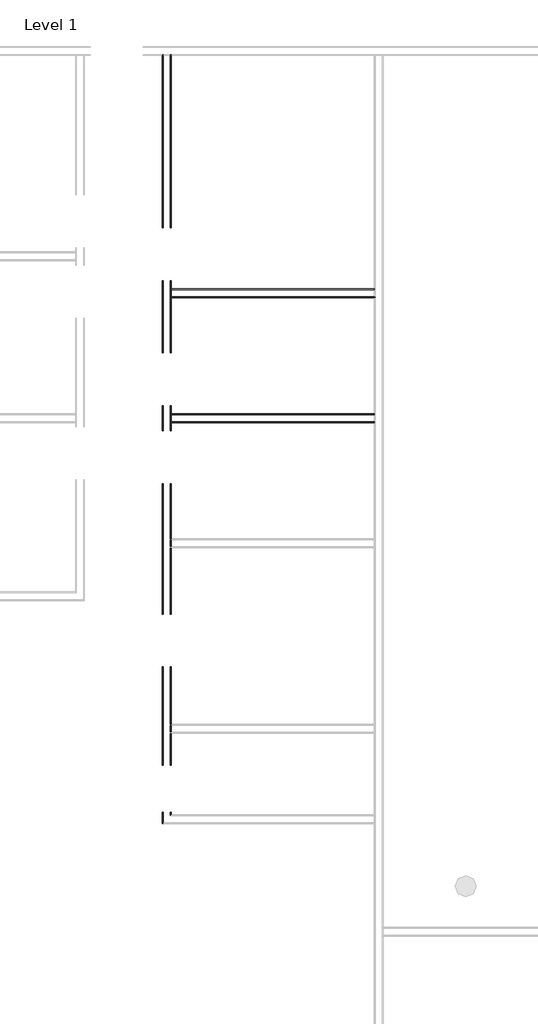
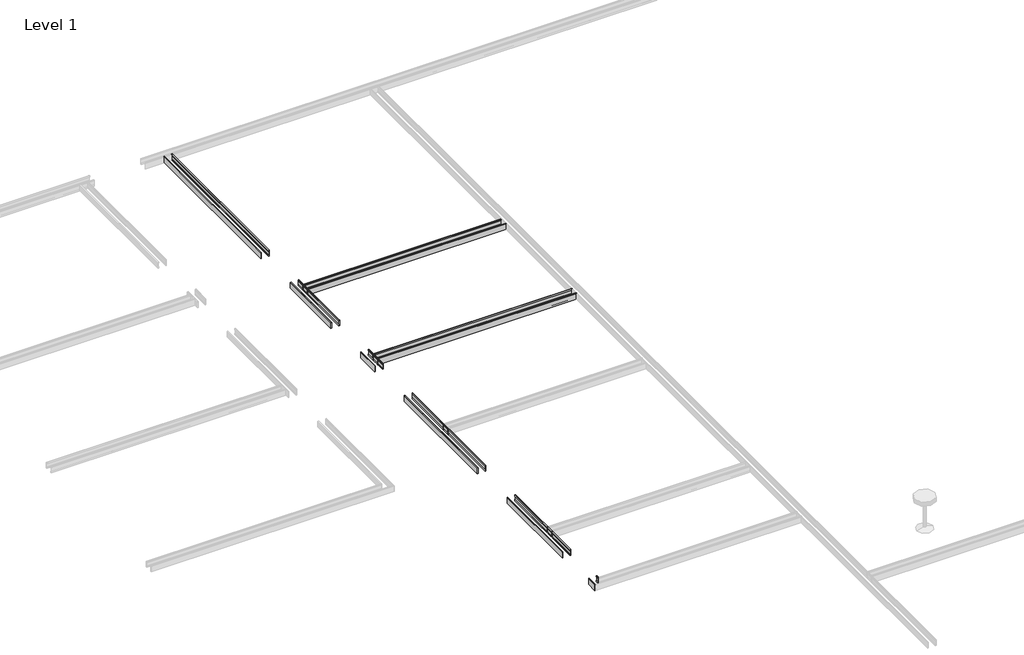
# One storey, part 41 of 51: 6 proxies.
"""IFC4 building model written with IfcOpenShell, lengths in millimetres."""

from ifc_helpers import new_model, si_unit, point, frame, frame_2d, origin, place, context, project, spatial, polyline, circle_curve, ellipse_curve, trimmed, segment, composite_curve, outline, extrude, element, save
from ifc_brep_helpers import plane_surface, cylinder_surface, advanced_brep

model = new_model("IFC4")

# Units and contexts
model_context = context("Model", 3, world=origin())
ifc_project = project(units=[si_unit("LENGTHUNIT", "METRE", prefix="MILLI")], contexts=[model_context])

# Site, building, storey
site = spatial("IfcSite", under=ifc_project)
building = spatial("IfcBuilding", under=site)
storey = spatial("IfcBuildingStorey", under=building, Name="Level 1", Elevation=0.0)

# Proxies
placement = place(None, origin())
element("IfcBuildingElementProxy", 1, Name="Wall Sweeps", at=placement, inside=storey, context=model_context, shape_type="AdvancedBrep", body=[
    advanced_brep(
    [(73117.553484, -21404.8801669, 22.1801656), (73114.1637805, -21404.8801669, 23.915644), (73114.1637805, -21404.8801669, 85.828144), (73117.553484, -21404.8801669, 87.5505545), (73117.553484, -21404.8801669, 107.95), (73106.440984, -21404.8801669, 107.95), (73103.265984, -21404.8801669, 104.775), (73103.265984, -21404.8801669, 0.0), (73117.553484, -21404.8801669, 0.0), (73117.553484, -19711.0176669, 22.1801656), (73117.553484, -19711.0176669, 0.0), (73103.265984, -19711.0176669, 0.0), (73103.265984, -19711.0176669, 104.775), (73106.440984, -19711.0176669, 107.95), (73117.553484, -19711.0176669, 107.95), (73117.553484, -19711.0176669, 87.5505545), (73114.1637805, -19711.0176669, 85.828144), (73114.1637805, -19711.0176669, 23.915644)],
    [
        (0, 1),
        (1, 2),
        (2, 3),
        (3, 4),
        (4, 5),
        (5, 6, circle_curve(frame((73106.440984, -21404.8801669, 104.775), z_axis=(0.0, -1.0, 0.0), x_axis=(-1.0, 0.0, 0.0)), 3.175)),
        (6, 7),
        (7, 8),
        (8, 0),
        (9, 10),
        (10, 11),
        (11, 12),
        (12, 13, circle_curve(frame((73106.440984, -19711.0176669, 104.775), z_axis=(0.0, 1.0, 0.0), x_axis=(-1.0, 0.0, 0.0)), 3.175)),
        (13, 14),
        (14, 15),
        (15, 16),
        (16, 17),
        (17, 9),
        (0, 9),
        (17, 1),
        (16, 2),
        (15, 3),
        (14, 4),
        (13, 5),
        (12, 6),
        (11, 7),
        (10, 8),
    ],
    [
        plane_surface(frame((73009.0330244, -21404.8801669, 0.0), z_axis=(0.0, -1.0, 0.0), x_axis=(0.0, 0.0, 1.0))),
        plane_surface(frame((73009.0330244, -19711.0176669, 0.0), z_axis=(0.0, 1.0, 0.0), x_axis=(0.0, 0.0, 1.0))),
        plane_surface(frame((73117.553484, -21404.8801669, 22.1801656), z_axis=(0.4557279043188856, 0.0, 0.8901191365346083), x_axis=(0.0, 1.0, 0.0))),
        plane_surface(frame((73114.1637805, -21404.8801669, 23.915644), z_axis=(1.0, 0.0, 0.0), x_axis=(0.0, 1.0, 0.0))),
        plane_surface(frame((73114.1637805, -21404.8801669, 85.828144), z_axis=(0.4530026868357818, 0.0, -0.8915091506650745), x_axis=(0.0, 1.0, 0.0))),
        plane_surface(frame((73117.553484, -21404.8801669, 87.5505545), z_axis=(1.0, 0.0, 0.0), x_axis=(0.0, 1.0, 0.0))),
        plane_surface(frame((73117.553484, -21404.8801669, 107.95), z_axis=(0.0, 0.0, 1.0), x_axis=(0.0, 1.0, 0.0))),
        cylinder_surface(frame((73106.440984, -21404.8801669, 104.775), z_axis=(0.0, -1.0, 0.0), x_axis=(-1.0, 0.0, 0.0)), 3.175),
        plane_surface(frame((73103.265984, -21404.8801669, 104.775), z_axis=(-1.0, 0.0, 0.0), x_axis=(0.0, 1.0, 0.0))),
        plane_surface(frame((73103.265984, -21404.8801669, 0.0), z_axis=(0.0, 0.0, -1.0), x_axis=(0.0, 1.0, 0.0))),
        plane_surface(frame((73117.553484, -21404.8801669, 0.0), z_axis=(1.0, 0.0, 0.0), x_axis=(0.0, 1.0, 0.0))),
    ],
    [
        (0, [[1, 2, 3, 4, 5, 6, 7, 8, 9]]),
        (1, [[10, 11, 12, 13, 14, 15, 16, 17, 18]]),
        (2, [[-1, 19, -18, 20]]),
        (3, [[-2, -20, -17, 21]]),
        (4, [[-3, -21, -16, 22]]),
        (5, [[-4, -22, -15, 23]]),
        (6, [[-5, -23, -14, 24]]),
        (7, [[-6, -24, -13, 25]]),
        (8, [[-7, -25, -12, 26]]),
        (9, [[-8, -26, -11, 27]]),
        (10, [[-9, -27, -10, -19]]),
    ],
),
    advanced_brep(
    [(73117.553484, -18796.6176669, 22.1801656), (73114.1637805, -18796.6176669, 23.915644), (73114.1637805, -18796.6176669, 85.828144), (73117.553484, -18796.6176669, 87.5505545), (73117.553484, -18796.6176669, 107.95), (73106.440984, -18796.6176669, 107.95), (73103.265984, -18796.6176669, 104.775), (73103.265984, -18796.6176669, 0.0), (73117.553484, -18796.6176669, 0.0), (73117.553484, -16547.1301669, 22.1801656), (73117.553484, -16547.1301669, 0.0), (73103.265984, -16547.1301669, 0.0), (73103.265984, -16547.1301669, 104.775), (73106.440984, -16547.1301669, 107.95), (73117.553484, -16547.1301669, 107.95), (73117.553484, -16547.1301669, 87.5505545), (73114.1637805, -16547.1301669, 85.828144), (73114.1637805, -16547.1301669, 23.915644)],
    [
        (0, 1),
        (1, 2),
        (2, 3),
        (3, 4),
        (4, 5),
        (5, 6, circle_curve(frame((73106.440984, -18796.6176669, 104.775), z_axis=(0.0, -1.0, 0.0), x_axis=(-1.0, 0.0, 0.0)), 3.175)),
        (6, 7),
        (7, 8),
        (8, 0),
        (9, 10),
        (10, 11),
        (11, 12),
        (12, 13, circle_curve(frame((73106.440984, -16547.1301669, 104.775), z_axis=(0.0, 1.0, 0.0), x_axis=(-1.0, 0.0, 0.0)), 3.175)),
        (13, 14),
        (14, 15),
        (15, 16),
        (16, 17),
        (17, 9),
        (0, 9),
        (17, 1),
        (16, 2),
        (15, 3),
        (14, 4),
        (13, 5),
        (12, 6),
        (11, 7),
        (10, 8),
    ],
    [
        plane_surface(frame((73009.0330244, -18796.6176669, 0.0), z_axis=(0.0, -1.0, 0.0), x_axis=(0.0, 0.0, 1.0))),
        plane_surface(frame((73009.0330244, -16547.1301669, 0.0), z_axis=(0.0, 1.0, 0.0), x_axis=(0.0, 0.0, 1.0))),
        plane_surface(frame((73117.553484, -18796.6176669, 22.1801656), z_axis=(0.4557279043188856, 0.0, 0.8901191365346083), x_axis=(0.0, 1.0, 0.0))),
        plane_surface(frame((73114.1637805, -18796.6176669, 23.915644), z_axis=(1.0, 0.0, 0.0), x_axis=(0.0, 1.0, 0.0))),
        plane_surface(frame((73114.1637805, -18796.6176669, 85.828144), z_axis=(0.4530026868357818, 0.0, -0.8915091506650745), x_axis=(0.0, 1.0, 0.0))),
        plane_surface(frame((73117.553484, -18796.6176669, 87.5505545), z_axis=(1.0, 0.0, 0.0), x_axis=(0.0, 1.0, 0.0))),
        plane_surface(frame((73117.553484, -18796.6176669, 107.95), z_axis=(0.0, 0.0, 1.0), x_axis=(0.0, 1.0, 0.0))),
        cylinder_surface(frame((73106.440984, -18796.6176669, 104.775), z_axis=(0.0, -1.0, 0.0), x_axis=(-1.0, 0.0, 0.0)), 3.175),
        plane_surface(frame((73103.265984, -18796.6176669, 104.775), z_axis=(-1.0, 0.0, 0.0), x_axis=(0.0, 1.0, 0.0))),
        plane_surface(frame((73103.265984, -18796.6176669, 0.0), z_axis=(0.0, 0.0, -1.0), x_axis=(0.0, 1.0, 0.0))),
        plane_surface(frame((73117.553484, -18796.6176669, 0.0), z_axis=(1.0, 0.0, 0.0), x_axis=(0.0, 1.0, 0.0))),
    ],
    [
        (0, [[1, 2, 3, 4, 5, 6, 7, 8, 9]]),
        (1, [[10, 11, 12, 13, 14, 15, 16, 17, 18]]),
        (2, [[-1, 19, -18, 20]]),
        (3, [[-2, -20, -17, 21]]),
        (4, [[-3, -21, -16, 22]]),
        (5, [[-4, -22, -15, 23]]),
        (6, [[-5, -23, -14, 24]]),
        (7, [[-6, -24, -13, 25]]),
        (8, [[-7, -25, -12, 26]]),
        (9, [[-8, -26, -11, 27]]),
        (10, [[-9, -27, -10, -19]]),
    ],
),
    advanced_brep(
    [(73117.553484, -15632.7301669, 22.1801656), (73114.1637805, -15632.7301669, 23.915644), (73114.1637805, -15632.7301669, 85.828144), (73117.553484, -15632.7301669, 87.5505545), (73117.553484, -15632.7301669, 107.95), (73106.440984, -15632.7301669, 107.95), (73103.265984, -15632.7301669, 104.775), (73103.265984, -15632.7301669, 0.0), (73117.553484, -15632.7301669, 0.0), (73117.553484, -15204.1051669, 22.1801656), (73117.553484, -15204.1051669, 0.0), (73103.265984, -15204.1051669, 0.0), (73103.265984, -15204.1051669, 104.775), (73106.440984, -15204.1051669, 107.95), (73117.553484, -15204.1051669, 107.95), (73117.553484, -15204.1051669, 87.5505545), (73114.1637805, -15204.1051669, 85.828144), (73114.1637805, -15204.1051669, 23.915644)],
    [
        (0, 1),
        (1, 2),
        (2, 3),
        (3, 4),
        (4, 5),
        (5, 6, circle_curve(frame((73106.440984, -15632.7301669, 104.775), z_axis=(0.0, -1.0, 0.0), x_axis=(-1.0, 0.0, 0.0)), 3.175)),
        (6, 7),
        (7, 8),
        (8, 0),
        (9, 10),
        (10, 11),
        (11, 12),
        (12, 13, circle_curve(frame((73106.440984, -15204.1051669, 104.775), z_axis=(0.0, 1.0, 0.0), x_axis=(-1.0, 0.0, 0.0)), 3.175)),
        (13, 14),
        (14, 15),
        (15, 16),
        (16, 17),
        (17, 9),
        (0, 9),
        (17, 1),
        (16, 2),
        (15, 3),
        (14, 4),
        (13, 5),
        (12, 6),
        (11, 7),
        (10, 8),
    ],
    [
        plane_surface(frame((73009.0330244, -15632.7301669, 0.0), z_axis=(0.0, -1.0, 0.0), x_axis=(0.0, 0.0, 1.0))),
        plane_surface(frame((73009.0330244, -15204.1051669, 0.0), z_axis=(0.0, 1.0, 0.0), x_axis=(0.0, 0.0, 1.0))),
        plane_surface(frame((73117.553484, -15632.7301669, 22.1801656), z_axis=(0.4557279043188856, 0.0, 0.8901191365346083), x_axis=(0.0, 1.0, 0.0))),
        plane_surface(frame((73114.1637805, -15632.7301669, 23.915644), z_axis=(1.0, 0.0, 0.0), x_axis=(0.0, 1.0, 0.0))),
        plane_surface(frame((73114.1637805, -15632.7301669, 85.828144), z_axis=(0.4530026868357818, 0.0, -0.8915091506650745), x_axis=(0.0, 1.0, 0.0))),
        plane_surface(frame((73117.553484, -15632.7301669, 87.5505545), z_axis=(1.0, 0.0, 0.0), x_axis=(0.0, 1.0, 0.0))),
        plane_surface(frame((73117.553484, -15632.7301669, 107.95), z_axis=(0.0, 0.0, 1.0), x_axis=(0.0, 1.0, 0.0))),
        cylinder_surface(frame((73106.440984, -15632.7301669, 104.775), z_axis=(0.0, -1.0, 0.0), x_axis=(-1.0, 0.0, 0.0)), 3.175),
        plane_surface(frame((73103.265984, -15632.7301669, 104.775), z_axis=(-1.0, 0.0, 0.0), x_axis=(0.0, 1.0, 0.0))),
        plane_surface(frame((73103.265984, -15632.7301669, 0.0), z_axis=(0.0, 0.0, -1.0), x_axis=(0.0, 1.0, 0.0))),
        plane_surface(frame((73117.553484, -15632.7301669, 0.0), z_axis=(1.0, 0.0, 0.0), x_axis=(0.0, 1.0, 0.0))),
    ],
    [
        (0, [[1, 2, 3, 4, 5, 6, 7, 8, 9]]),
        (1, [[10, 11, 12, 13, 14, 15, 16, 17, 18]]),
        (2, [[-1, 19, -18, 20]]),
        (3, [[-2, -20, -17, 21]]),
        (4, [[-3, -21, -16, 22]]),
        (5, [[-4, -22, -15, 23]]),
        (6, [[-5, -23, -14, 24]]),
        (7, [[-6, -24, -13, 25]]),
        (8, [[-7, -25, -12, 26]]),
        (9, [[-8, -26, -11, 27]]),
        (10, [[-9, -27, -10, -19]]),
    ],
),
    advanced_brep(
    [(73117.553484, -14289.7051669, 22.1801656), (73114.1637805, -14289.7051669, 23.915644), (73114.1637805, -14289.7051669, 85.828144), (73117.553484, -14289.7051669, 87.5505545), (73117.553484, -14289.7051669, 107.95), (73106.440984, -14289.7051669, 107.95), (73103.265984, -14289.7051669, 104.775), (73103.265984, -14289.7051669, 0.0), (73117.553484, -14289.7051669, 0.0), (73117.553484, -13041.9301669, 22.1801656), (73117.553484, -13041.9301669, 0.0), (73103.265984, -13041.9301669, 0.0), (73103.265984, -13041.9301669, 104.775), (73106.440984, -13041.9301669, 107.95), (73117.553484, -13041.9301669, 107.95), (73117.553484, -13041.9301669, 87.5505545), (73114.1637805, -13041.9301669, 85.828144), (73114.1637805, -13041.9301669, 23.915644)],
    [
        (0, 1),
        (1, 2),
        (2, 3),
        (3, 4),
        (4, 5),
        (5, 6, circle_curve(frame((73106.440984, -14289.7051669, 104.775), z_axis=(0.0, -1.0, 0.0), x_axis=(-1.0, 0.0, 0.0)), 3.175)),
        (6, 7),
        (7, 8),
        (8, 0),
        (9, 10),
        (10, 11),
        (11, 12),
        (12, 13, circle_curve(frame((73106.440984, -13041.9301669, 104.775), z_axis=(0.0, 1.0, 0.0), x_axis=(-1.0, 0.0, 0.0)), 3.175)),
        (13, 14),
        (14, 15),
        (15, 16),
        (16, 17),
        (17, 9),
        (0, 9),
        (17, 1),
        (16, 2),
        (15, 3),
        (14, 4),
        (13, 5),
        (12, 6),
        (11, 7),
        (10, 8),
    ],
    [
        plane_surface(frame((73009.0330244, -14289.7051669, 0.0), z_axis=(0.0, -1.0, 0.0), x_axis=(0.0, 0.0, 1.0))),
        plane_surface(frame((73009.0330244, -13041.9301669, 0.0), z_axis=(0.0, 1.0, 0.0), x_axis=(0.0, 0.0, 1.0))),
        plane_surface(frame((73117.553484, -14289.7051669, 22.1801656), z_axis=(0.4557279043188856, 0.0, 0.8901191365346083), x_axis=(0.0, 1.0, 0.0))),
        plane_surface(frame((73114.1637805, -14289.7051669, 23.915644), z_axis=(1.0, 0.0, 0.0), x_axis=(0.0, 1.0, 0.0))),
        plane_surface(frame((73114.1637805, -14289.7051669, 85.828144), z_axis=(0.4530026868357818, 0.0, -0.8915091506650745), x_axis=(0.0, 1.0, 0.0))),
        plane_surface(frame((73117.553484, -14289.7051669, 87.5505545), z_axis=(1.0, 0.0, 0.0), x_axis=(0.0, 1.0, 0.0))),
        plane_surface(frame((73117.553484, -14289.7051669, 107.95), z_axis=(0.0, 0.0, 1.0), x_axis=(0.0, 1.0, 0.0))),
        cylinder_surface(frame((73106.440984, -14289.7051669, 104.775), z_axis=(0.0, -1.0, 0.0), x_axis=(-1.0, 0.0, 0.0)), 3.175),
        plane_surface(frame((73103.265984, -14289.7051669, 104.775), z_axis=(-1.0, 0.0, 0.0), x_axis=(0.0, 1.0, 0.0))),
        plane_surface(frame((73103.265984, -14289.7051669, 0.0), z_axis=(0.0, 0.0, -1.0), x_axis=(0.0, 1.0, 0.0))),
        plane_surface(frame((73117.553484, -14289.7051669, 0.0), z_axis=(1.0, 0.0, 0.0), x_axis=(0.0, 1.0, 0.0))),
    ],
    [
        (0, [[1, 2, 3, 4, 5, 6, 7, 8, 9]]),
        (1, [[10, 11, 12, 13, 14, 15, 16, 17, 18]]),
        (2, [[-1, 19, -18, 20]]),
        (3, [[-2, -20, -17, 21]]),
        (4, [[-3, -21, -16, 22]]),
        (5, [[-4, -22, -15, 23]]),
        (6, [[-5, -23, -14, 24]]),
        (7, [[-6, -24, -13, 25]]),
        (8, [[-7, -25, -12, 26]]),
        (9, [[-8, -26, -11, 27]]),
        (10, [[-9, -27, -10, -19]]),
    ],
),
    advanced_brep(
    [(73117.553484, -12127.5301669, 22.1801656), (73114.1637805, -12127.5301669, 23.915644), (73114.1637805, -12127.5301669, 85.828144), (73117.553484, -12127.5301669, 87.5505545), (73117.553484, -12127.5301669, 107.95), (73106.440984, -12127.5301669, 107.95), (73103.265984, -12127.5301669, 104.775), (73103.265984, -12127.5301669, 0.0), (73117.553484, -12127.5301669, 0.0), (73117.553484, -9141.4426669, 22.1801656), (73117.553484, -9141.4426669, 0.0), (73103.265984, -9141.4426669, 0.0), (73103.265984, -9141.4426669, 104.775), (73106.440984, -9141.4426669, 107.95), (73117.553484, -9141.4426669, 107.95), (73117.553484, -9141.4426669, 87.5505545), (73114.1637805, -9141.4426669, 85.828144), (73114.1637805, -9141.4426669, 23.915644)],
    [
        (0, 1),
        (1, 2),
        (2, 3),
        (3, 4),
        (4, 5),
        (5, 6, circle_curve(frame((73106.440984, -12127.5301669, 104.775), z_axis=(0.0, -1.0, 0.0), x_axis=(-1.0, 0.0, 0.0)), 3.175)),
        (6, 7),
        (7, 8),
        (8, 0),
        (9, 10),
        (10, 11),
        (11, 12),
        (12, 13, circle_curve(frame((73106.440984, -9141.4426669, 104.775), z_axis=(0.0, 1.0, 0.0), x_axis=(-1.0, 0.0, 0.0)), 3.175)),
        (13, 14),
        (14, 15),
        (15, 16),
        (16, 17),
        (17, 9),
        (0, 9),
        (17, 1),
        (16, 2),
        (15, 3),
        (14, 4),
        (13, 5),
        (12, 6),
        (11, 7),
        (10, 8),
    ],
    [
        plane_surface(frame((73009.0330244, -12127.5301669, 0.0), z_axis=(0.0, -1.0, 0.0), x_axis=(0.0, 0.0, 1.0))),
        plane_surface(frame((73009.0330244, -9141.4426669, 0.0), z_axis=(0.0, 1.0, 0.0), x_axis=(0.0, 0.0, 1.0))),
        plane_surface(frame((73117.553484, -12127.5301669, 22.1801656), z_axis=(0.4557279043188856, 0.0, 0.8901191365346083), x_axis=(0.0, 1.0, 0.0))),
        plane_surface(frame((73114.1637805, -12127.5301669, 23.915644), z_axis=(1.0, 0.0, 0.0), x_axis=(0.0, 1.0, 0.0))),
        plane_surface(frame((73114.1637805, -12127.5301669, 85.828144), z_axis=(0.4530026868357818, 0.0, -0.8915091506650745), x_axis=(0.0, 1.0, 0.0))),
        plane_surface(frame((73117.553484, -12127.5301669, 87.5505545), z_axis=(1.0, 0.0, 0.0), x_axis=(0.0, 1.0, 0.0))),
        plane_surface(frame((73117.553484, -12127.5301669, 107.95), z_axis=(0.0, 0.0, 1.0), x_axis=(0.0, 1.0, 0.0))),
        cylinder_surface(frame((73106.440984, -12127.5301669, 104.775), z_axis=(0.0, -1.0, 0.0), x_axis=(-1.0, 0.0, 0.0)), 3.175),
        plane_surface(frame((73103.265984, -12127.5301669, 104.775), z_axis=(-1.0, 0.0, 0.0), x_axis=(0.0, 1.0, 0.0))),
        plane_surface(frame((73103.265984, -12127.5301669, 0.0), z_axis=(0.0, 0.0, -1.0), x_axis=(0.0, 1.0, 0.0))),
        plane_surface(frame((73117.553484, -12127.5301669, 0.0), z_axis=(1.0, 0.0, 0.0), x_axis=(0.0, 1.0, 0.0))),
    ],
    [
        (0, [[1, 2, 3, 4, 5, 6, 7, 8, 9]]),
        (1, [[10, 11, 12, 13, 14, 15, 16, 17, 18]]),
        (2, [[-1, 19, -18, 20]]),
        (3, [[-2, -20, -17, 21]]),
        (4, [[-3, -21, -16, 22]]),
        (5, [[-4, -22, -15, 23]]),
        (6, [[-5, -23, -14, 24]]),
        (7, [[-6, -24, -13, 25]]),
        (8, [[-7, -25, -12, 26]]),
        (9, [[-8, -26, -11, 27]]),
        (10, [[-9, -27, -10, -19]]),
    ],
),
    advanced_brep(
    [(73117.553484, -22400.2426669, 22.1801656), (73114.1637805, -22403.6323704, 23.915644), (73114.1637805, -22403.6323704, 85.828144), (73117.553484, -22400.2426669, 87.5505545), (73117.553484, -22400.2426669, 107.95), (73106.440984, -22411.3551669, 107.95), (73103.265984, -22414.5301669, 104.775), (73103.265984, -22414.5301669, 0.0), (73117.553484, -22400.2426669, 0.0), (73117.553484, -22217.6801669, 22.1801656), (73117.553484, -22217.6801669, 0.0), (73103.265984, -22217.6801669, 0.0), (73103.265984, -22217.6801669, 104.775), (73106.440984, -22217.6801669, 107.95), (73117.553484, -22217.6801669, 107.95), (73117.553484, -22217.6801669, 87.5505545), (73114.1637805, -22217.6801669, 85.828144), (73114.1637805, -22217.6801669, 23.915644), (73117.553484, -22276.4176669, 0.0)],
    [
        (0, 1),
        (1, 2),
        (2, 3),
        (3, 4),
        (4, 5),
        (5, 6, ellipse_curve(frame((73106.440984, -22411.3551669, 104.775), z_axis=(0.7071067811865476, -0.7071067811865476, 0.0), x_axis=(-0.7071067811865477, -0.7071067811865474, 0.0)), 4.4901281, 3.175)),
        (6, 7),
        (7, 8),
        (8, 0),
        (9, 10),
        (10, 11),
        (11, 12),
        (12, 13, circle_curve(frame((73106.440984, -22217.6801669, 104.775), z_axis=(0.0, 1.0, 0.0), x_axis=(-1.0, 0.0, 0.0)), 3.175)),
        (13, 14),
        (14, 15),
        (15, 16),
        (16, 17),
        (17, 9),
        (0, 9),
        (17, 1),
        (16, 2),
        (15, 3),
        (14, 4),
        (13, 5),
        (12, 6),
        (11, 7),
        (10, 18),
        (18, 8),
    ],
    [
        plane_surface(frame((73117.553484, -22400.2426669, 304.8), z_axis=(0.7071067811865476, -0.7071067811865476, 0.0), x_axis=(0.7071067811865476, 0.7071067811865476, 0.0))),
        plane_surface(frame((73009.0330244, -22217.6801669, 0.0), z_axis=(0.0, 1.0, 0.0), x_axis=(0.0, 0.0, 1.0))),
        plane_surface(frame((73117.553484, -22400.2426669, 22.1801656), z_axis=(0.4557279043188856, 0.0, 0.8901191365346083), x_axis=(0.0, 1.0, 0.0))),
        plane_surface(frame((73114.1637805, -22403.6323704, 23.915644), z_axis=(1.0, 0.0, 0.0), x_axis=(0.0, 1.0, 0.0))),
        plane_surface(frame((73114.1637805, -22403.6323704, 85.828144), z_axis=(0.4530026868357818, 0.0, -0.8915091506650745), x_axis=(0.0, 1.0, 0.0))),
        plane_surface(frame((73117.553484, -22400.2426669, 87.5505545), z_axis=(1.0, 0.0, 0.0), x_axis=(0.0, 1.0, 0.0))),
        plane_surface(frame((73117.553484, -22400.2426669, 107.95), z_axis=(0.0, 0.0, 1.0), x_axis=(0.0, 1.0, 0.0))),
        cylinder_surface(frame((73106.440984, -22400.2426669, 104.775), z_axis=(0.0, -1.0, 0.0), x_axis=(-1.0, 0.0, 0.0)), 3.175),
        plane_surface(frame((73103.265984, -22414.5301669, 104.775), z_axis=(-1.0, 0.0, 0.0), x_axis=(0.0, 1.0, 0.0))),
        plane_surface(frame((73103.265984, -22414.5301669, 0.0), z_axis=(0.0, 0.0, -1.0), x_axis=(0.0, 1.0, 0.0))),
        plane_surface(frame((73117.553484, -22400.2426669, 0.0), z_axis=(1.0, 0.0, 0.0), x_axis=(0.0, 1.0, 0.0))),
    ],
    [
        (0, [[1, 2, 3, 4, 5, 6, 7, 8, 9]]),
        (1, [[10, 11, 12, 13, 14, 15, 16, 17, 18]]),
        (2, [[-1, 19, -18, 20]]),
        (3, [[-2, -20, -17, 21]]),
        (4, [[-3, -21, -16, 22]]),
        (5, [[-4, -22, -15, 23]]),
        (6, [[-5, -23, -14, 24]]),
        (7, [[-6, -24, -13, 25]]),
        (8, [[-7, -25, -12, 26]]),
        (9, [[-8, -26, -11, 27, 28]]),
        (10, [[-9, -28, -27, -10, -19]]),
    ],
),
])
element("IfcBuildingElementProxy", 2, Name="Wall Sweeps", at=placement, inside=storey, context=model_context, shape_type="SweptSolid", body=[
    extrude(outline(composite_curve([segment(polyline([(-15356.5051669, 22.1801656), (-15353.1154634, 23.915644), (-15353.1154634, 85.828144), (-15356.5051669, 87.5505545), (-15356.5051669, 107.95), (-15345.3926669, 107.95)]), True, "CONTINUOUS"), segment(trimmed(circle_curve(frame_2d((-15345.3926669, 104.775)), 3.175), [point((-15345.3926669, 107.95))], [point((-15342.2176669, 104.775))], False, "CARTESIAN"), True, "CONTINUOUS"), segment(polyline([(-15342.2176669, 104.775), (-15342.2176669, 0.0), (-15356.5051669, 0.0), (-15356.5051669, 22.1801656)]), True, "CONTINUOUS")], self_intersect=False)), frame((73241.378484, 0.0, 0.0), z_axis=(1.0, 0.0, 0.0), x_axis=(0.0, 1.0, 0.0)), (0.0, 0.0, 1.0), 3533.775),
])
element("IfcBuildingElementProxy", 3, Name="Wall Sweeps", at=placement, inside=storey, context=model_context, shape_type="SweptSolid", body=[
    extrude(outline(composite_curve([segment(polyline([(-13197.5051669, 22.1801656), (-13194.1154634, 23.915644), (-13194.1154634, 85.828144), (-13197.5051669, 87.5505545), (-13197.5051669, 107.95), (-13186.3926669, 107.95)]), True, "CONTINUOUS"), segment(trimmed(circle_curve(frame_2d((-13186.3926669, 104.775)), 3.175), [point((-13186.3926669, 107.95))], [point((-13183.2176669, 104.775))], False, "CARTESIAN"), True, "CONTINUOUS"), segment(polyline([(-13183.2176669, 104.775), (-13183.2176669, 0.0), (-13197.5051669, 0.0), (-13197.5051669, 22.1801656)]), True, "CONTINUOUS")], self_intersect=False)), frame((73241.378484, 0.0, 0.0), z_axis=(1.0, 0.0, 0.0), x_axis=(0.0, 1.0, 0.0)), (0.0, 0.0, 1.0), 3533.775),
])
element("IfcBuildingElementProxy", 4, Name="Wall Sweeps", at=placement, inside=storey, context=model_context, shape_type="AdvancedBrep", body=[
    advanced_brep(
    [(73241.378484, -14289.7051669, 22.1801656), (73241.378484, -14289.7051669, 0.0), (73255.665984, -14289.7051669, 0.0), (73255.665984, -14289.7051669, 104.775), (73252.490984, -14289.7051669, 107.95), (73241.378484, -14289.7051669, 107.95), (73241.378484, -14289.7051669, 87.5505545), (73244.7681875, -14289.7051669, 85.828144), (73244.7681875, -14289.7051669, 23.915644), (73241.378484, -13041.9301669, 22.1801656), (73244.7681875, -13041.9301669, 23.915644), (73244.7681875, -13041.9301669, 85.828144), (73241.378484, -13041.9301669, 87.5505545), (73241.378484, -13041.9301669, 107.95), (73252.490984, -13041.9301669, 107.95), (73255.665984, -13041.9301669, 104.775), (73255.665984, -13041.9301669, 0.0), (73241.378484, -13041.9301669, 0.0)],
    [
        (0, 1),
        (1, 2),
        (2, 3),
        (3, 4, circle_curve(frame((73252.490984, -14289.7051669, 104.775), z_axis=(0.0, -1.0, 0.0), x_axis=(1.0, 0.0, 0.0)), 3.175)),
        (4, 5),
        (5, 6),
        (6, 7),
        (7, 8),
        (8, 0),
        (9, 10),
        (10, 11),
        (11, 12),
        (12, 13),
        (13, 14),
        (14, 15, circle_curve(frame((73252.490984, -13041.9301669, 104.775), z_axis=(0.0, 1.0, 0.0), x_axis=(1.0, 0.0, 0.0)), 3.175)),
        (15, 16),
        (16, 17),
        (17, 9),
        (0, 9),
        (17, 1),
        (16, 2),
        (15, 3),
        (14, 4),
        (13, 5),
        (12, 6),
        (11, 7),
        (10, 8),
    ],
    [
        plane_surface(frame((73132.8580244, -14289.7051669, 0.0), z_axis=(0.0, -1.0, 0.0), x_axis=(0.0, 0.0, 1.0))),
        plane_surface(frame((73132.8580244, -13041.9301669, 0.0), z_axis=(0.0, 1.0, 0.0), x_axis=(0.0, 0.0, 1.0))),
        plane_surface(frame((73241.378484, -14289.7051669, 22.1801656), z_axis=(-1.0, 0.0, 0.0), x_axis=(0.0, 1.0, 0.0))),
        plane_surface(frame((73241.378484, -14289.7051669, 0.0), z_axis=(0.0, 0.0, -1.0), x_axis=(0.0, 1.0, 0.0))),
        plane_surface(frame((73255.665984, -14289.7051669, 0.0), z_axis=(1.0, 0.0, 0.0), x_axis=(0.0, 1.0, 0.0))),
        cylinder_surface(frame((73252.490984, -14289.7051669, 104.775), z_axis=(0.0, -1.0, 0.0), x_axis=(1.0, 0.0, 0.0)), 3.175),
        plane_surface(frame((73252.490984, -14289.7051669, 107.95), z_axis=(0.0, 0.0, 1.0), x_axis=(0.0, 1.0, 0.0))),
        plane_surface(frame((73241.378484, -14289.7051669, 107.95), z_axis=(-1.0, 0.0, 0.0), x_axis=(0.0, 1.0, 0.0))),
        plane_surface(frame((73241.378484, -14289.7051669, 87.5505545), z_axis=(-0.4530026868357818, 0.0, -0.8915091506650745), x_axis=(0.0, 1.0, 0.0))),
        plane_surface(frame((73244.7681875, -14289.7051669, 85.828144), z_axis=(-1.0, 0.0, 0.0), x_axis=(0.0, 1.0, 0.0))),
        plane_surface(frame((73244.7681875, -14289.7051669, 23.915644), z_axis=(-0.4557279043188856, 0.0, 0.8901191365346083), x_axis=(0.0, 1.0, 0.0))),
    ],
    [
        (0, [[1, 2, 3, 4, 5, 6, 7, 8, 9]]),
        (1, [[10, 11, 12, 13, 14, 15, 16, 17, 18]]),
        (2, [[-1, 19, -18, 20]]),
        (3, [[-2, -20, -17, 21]]),
        (4, [[-3, -21, -16, 22]]),
        (5, [[-4, -22, -15, 23]]),
        (6, [[-5, -23, -14, 24]]),
        (7, [[-6, -24, -13, 25]]),
        (8, [[-7, -25, -12, 26]]),
        (9, [[-8, -26, -11, 27]]),
        (10, [[-9, -27, -10, -19]]),
    ],
),
    advanced_brep(
    [(73241.378484, -15632.7301669, 22.1801656), (73241.378484, -15632.7301669, 0.0), (73255.665984, -15632.7301669, 0.0), (73255.665984, -15632.7301669, 104.775), (73252.490984, -15632.7301669, 107.95), (73241.378484, -15632.7301669, 107.95), (73241.378484, -15632.7301669, 87.5505545), (73244.7681875, -15632.7301669, 85.828144), (73244.7681875, -15632.7301669, 23.915644), (73241.378484, -15204.1051669, 22.1801656), (73244.7681875, -15204.1051669, 23.915644), (73244.7681875, -15204.1051669, 85.828144), (73241.378484, -15204.1051669, 87.5505545), (73241.378484, -15204.1051669, 107.95), (73252.490984, -15204.1051669, 107.95), (73255.665984, -15204.1051669, 104.775), (73255.665984, -15204.1051669, 0.0), (73241.378484, -15204.1051669, 0.0)],
    [
        (0, 1),
        (1, 2),
        (2, 3),
        (3, 4, circle_curve(frame((73252.490984, -15632.7301669, 104.775), z_axis=(0.0, -1.0, 0.0), x_axis=(1.0, 0.0, 0.0)), 3.175)),
        (4, 5),
        (5, 6),
        (6, 7),
        (7, 8),
        (8, 0),
        (9, 10),
        (10, 11),
        (11, 12),
        (12, 13),
        (13, 14),
        (14, 15, circle_curve(frame((73252.490984, -15204.1051669, 104.775), z_axis=(0.0, 1.0, 0.0), x_axis=(1.0, 0.0, 0.0)), 3.175)),
        (15, 16),
        (16, 17),
        (17, 9),
        (0, 9),
        (17, 1),
        (16, 2),
        (15, 3),
        (14, 4),
        (13, 5),
        (12, 6),
        (11, 7),
        (10, 8),
    ],
    [
        plane_surface(frame((73132.8580244, -15632.7301669, 0.0), z_axis=(0.0, -1.0, 0.0), x_axis=(0.0, 0.0, 1.0))),
        plane_surface(frame((73132.8580244, -15204.1051669, 0.0), z_axis=(0.0, 1.0, 0.0), x_axis=(0.0, 0.0, 1.0))),
        plane_surface(frame((73241.378484, -15632.7301669, 22.1801656), z_axis=(-1.0, 0.0, 0.0), x_axis=(0.0, 1.0, 0.0))),
        plane_surface(frame((73241.378484, -15632.7301669, 0.0), z_axis=(0.0, 0.0, -1.0), x_axis=(0.0, 1.0, 0.0))),
        plane_surface(frame((73255.665984, -15632.7301669, 0.0), z_axis=(1.0, 0.0, 0.0), x_axis=(0.0, 1.0, 0.0))),
        cylinder_surface(frame((73252.490984, -15632.7301669, 104.775), z_axis=(0.0, -1.0, 0.0), x_axis=(1.0, 0.0, 0.0)), 3.175),
        plane_surface(frame((73252.490984, -15632.7301669, 107.95), z_axis=(0.0, 0.0, 1.0), x_axis=(0.0, 1.0, 0.0))),
        plane_surface(frame((73241.378484, -15632.7301669, 107.95), z_axis=(-1.0, 0.0, 0.0), x_axis=(0.0, 1.0, 0.0))),
        plane_surface(frame((73241.378484, -15632.7301669, 87.5505545), z_axis=(-0.4530026868357818, 0.0, -0.8915091506650745), x_axis=(0.0, 1.0, 0.0))),
        plane_surface(frame((73244.7681875, -15632.7301669, 85.828144), z_axis=(-1.0, 0.0, 0.0), x_axis=(0.0, 1.0, 0.0))),
        plane_surface(frame((73244.7681875, -15632.7301669, 23.915644), z_axis=(-0.4557279043188856, 0.0, 0.8901191365346083), x_axis=(0.0, 1.0, 0.0))),
    ],
    [
        (0, [[1, 2, 3, 4, 5, 6, 7, 8, 9]]),
        (1, [[10, 11, 12, 13, 14, 15, 16, 17, 18]]),
        (2, [[-1, 19, -18, 20]]),
        (3, [[-2, -20, -17, 21]]),
        (4, [[-3, -21, -16, 22]]),
        (5, [[-4, -22, -15, 23]]),
        (6, [[-5, -23, -14, 24]]),
        (7, [[-6, -24, -13, 25]]),
        (8, [[-7, -25, -12, 26]]),
        (9, [[-8, -26, -11, 27]]),
        (10, [[-9, -27, -10, -19]]),
    ],
),
    advanced_brep(
    [(73241.378484, -18796.6176669, 22.1801656), (73241.378484, -18796.6176669, 0.0), (73255.665984, -18796.6176669, 0.0), (73255.665984, -18796.6176669, 104.775), (73252.490984, -18796.6176669, 107.95), (73241.378484, -18796.6176669, 107.95), (73241.378484, -18796.6176669, 87.5505545), (73244.7681875, -18796.6176669, 85.828144), (73244.7681875, -18796.6176669, 23.915644), (73241.378484, -16547.1301669, 22.1801656), (73244.7681875, -16547.1301669, 23.915644), (73244.7681875, -16547.1301669, 85.828144), (73241.378484, -16547.1301669, 87.5505545), (73241.378484, -16547.1301669, 107.95), (73252.490984, -16547.1301669, 107.95), (73255.665984, -16547.1301669, 104.775), (73255.665984, -16547.1301669, 0.0), (73241.378484, -16547.1301669, 0.0)],
    [
        (0, 1),
        (1, 2),
        (2, 3),
        (3, 4, circle_curve(frame((73252.490984, -18796.6176669, 104.775), z_axis=(0.0, -1.0, 0.0), x_axis=(1.0, 0.0, 0.0)), 3.175)),
        (4, 5),
        (5, 6),
        (6, 7),
        (7, 8),
        (8, 0),
        (9, 10),
        (10, 11),
        (11, 12),
        (12, 13),
        (13, 14),
        (14, 15, circle_curve(frame((73252.490984, -16547.1301669, 104.775), z_axis=(0.0, 1.0, 0.0), x_axis=(1.0, 0.0, 0.0)), 3.175)),
        (15, 16),
        (16, 17),
        (17, 9),
        (0, 9),
        (17, 1),
        (16, 2),
        (15, 3),
        (14, 4),
        (13, 5),
        (12, 6),
        (11, 7),
        (10, 8),
    ],
    [
        plane_surface(frame((73132.8580244, -18796.6176669, 0.0), z_axis=(0.0, -1.0, 0.0), x_axis=(0.0, 0.0, 1.0))),
        plane_surface(frame((73132.8580244, -16547.1301669, 0.0), z_axis=(0.0, 1.0, 0.0), x_axis=(0.0, 0.0, 1.0))),
        plane_surface(frame((73241.378484, -18796.6176669, 22.1801656), z_axis=(-1.0, 0.0, 0.0), x_axis=(0.0, 1.0, 0.0))),
        plane_surface(frame((73241.378484, -18796.6176669, 0.0), z_axis=(0.0, 0.0, -1.0), x_axis=(0.0, 1.0, 0.0))),
        plane_surface(frame((73255.665984, -18796.6176669, 0.0), z_axis=(1.0, 0.0, 0.0), x_axis=(0.0, 1.0, 0.0))),
        cylinder_surface(frame((73252.490984, -18796.6176669, 104.775), z_axis=(0.0, -1.0, 0.0), x_axis=(1.0, 0.0, 0.0)), 3.175),
        plane_surface(frame((73252.490984, -18796.6176669, 107.95), z_axis=(0.0, 0.0, 1.0), x_axis=(0.0, 1.0, 0.0))),
        plane_surface(frame((73241.378484, -18796.6176669, 107.95), z_axis=(-1.0, 0.0, 0.0), x_axis=(0.0, 1.0, 0.0))),
        plane_surface(frame((73241.378484, -18796.6176669, 87.5505545), z_axis=(-0.4530026868357818, 0.0, -0.8915091506650745), x_axis=(0.0, 1.0, 0.0))),
        plane_surface(frame((73244.7681875, -18796.6176669, 85.828144), z_axis=(-1.0, 0.0, 0.0), x_axis=(0.0, 1.0, 0.0))),
        plane_surface(frame((73244.7681875, -18796.6176669, 23.915644), z_axis=(-0.4557279043188856, 0.0, 0.8901191365346083), x_axis=(0.0, 1.0, 0.0))),
    ],
    [
        (0, [[1, 2, 3, 4, 5, 6, 7, 8, 9]]),
        (1, [[10, 11, 12, 13, 14, 15, 16, 17, 18]]),
        (2, [[-1, 19, -18, 20]]),
        (3, [[-2, -20, -17, 21]]),
        (4, [[-3, -21, -16, 22]]),
        (5, [[-4, -22, -15, 23]]),
        (6, [[-5, -23, -14, 24]]),
        (7, [[-6, -24, -13, 25]]),
        (8, [[-7, -25, -12, 26]]),
        (9, [[-8, -26, -11, 27]]),
        (10, [[-9, -27, -10, -19]]),
    ],
),
    advanced_brep(
    [(73241.378484, -21404.8801669, 22.1801656), (73241.378484, -21404.8801669, 0.0), (73255.665984, -21404.8801669, 0.0), (73255.665984, -21404.8801669, 104.775), (73252.490984, -21404.8801669, 107.95), (73241.378484, -21404.8801669, 107.95), (73241.378484, -21404.8801669, 87.5505545), (73244.7681875, -21404.8801669, 85.828144), (73244.7681875, -21404.8801669, 23.915644), (73241.378484, -19711.0176669, 22.1801656), (73244.7681875, -19711.0176669, 23.915644), (73244.7681875, -19711.0176669, 85.828144), (73241.378484, -19711.0176669, 87.5505545), (73241.378484, -19711.0176669, 107.95), (73252.490984, -19711.0176669, 107.95), (73255.665984, -19711.0176669, 104.775), (73255.665984, -19711.0176669, 0.0), (73241.378484, -19711.0176669, 0.0)],
    [
        (0, 1),
        (1, 2),
        (2, 3),
        (3, 4, circle_curve(frame((73252.490984, -21404.8801669, 104.775), z_axis=(0.0, -1.0, 0.0), x_axis=(1.0, 0.0, 0.0)), 3.175)),
        (4, 5),
        (5, 6),
        (6, 7),
        (7, 8),
        (8, 0),
        (9, 10),
        (10, 11),
        (11, 12),
        (12, 13),
        (13, 14),
        (14, 15, circle_curve(frame((73252.490984, -19711.0176669, 104.775), z_axis=(0.0, 1.0, 0.0), x_axis=(1.0, 0.0, 0.0)), 3.175)),
        (15, 16),
        (16, 17),
        (17, 9),
        (0, 9),
        (17, 1),
        (16, 2),
        (15, 3),
        (14, 4),
        (13, 5),
        (12, 6),
        (11, 7),
        (10, 8),
    ],
    [
        plane_surface(frame((73132.8580244, -21404.8801669, 0.0), z_axis=(0.0, -1.0, 0.0), x_axis=(0.0, 0.0, 1.0))),
        plane_surface(frame((73132.8580244, -19711.0176669, 0.0), z_axis=(0.0, 1.0, 0.0), x_axis=(0.0, 0.0, 1.0))),
        plane_surface(frame((73241.378484, -21404.8801669, 22.1801656), z_axis=(-1.0, 0.0, 0.0), x_axis=(0.0, 1.0, 0.0))),
        plane_surface(frame((73241.378484, -21404.8801669, 0.0), z_axis=(0.0, 0.0, -1.0), x_axis=(0.0, 1.0, 0.0))),
        plane_surface(frame((73255.665984, -21404.8801669, 0.0), z_axis=(1.0, 0.0, 0.0), x_axis=(0.0, 1.0, 0.0))),
        cylinder_surface(frame((73252.490984, -21404.8801669, 104.775), z_axis=(0.0, -1.0, 0.0), x_axis=(1.0, 0.0, 0.0)), 3.175),
        plane_surface(frame((73252.490984, -21404.8801669, 107.95), z_axis=(0.0, 0.0, 1.0), x_axis=(0.0, 1.0, 0.0))),
        plane_surface(frame((73241.378484, -21404.8801669, 107.95), z_axis=(-1.0, 0.0, 0.0), x_axis=(0.0, 1.0, 0.0))),
        plane_surface(frame((73241.378484, -21404.8801669, 87.5505545), z_axis=(-0.4530026868357818, 0.0, -0.8915091506650745), x_axis=(0.0, 1.0, 0.0))),
        plane_surface(frame((73244.7681875, -21404.8801669, 85.828144), z_axis=(-1.0, 0.0, 0.0), x_axis=(0.0, 1.0, 0.0))),
        plane_surface(frame((73244.7681875, -21404.8801669, 23.915644), z_axis=(-0.4557279043188856, 0.0, 0.8901191365346083), x_axis=(0.0, 1.0, 0.0))),
    ],
    [
        (0, [[1, 2, 3, 4, 5, 6, 7, 8, 9]]),
        (1, [[10, 11, 12, 13, 14, 15, 16, 17, 18]]),
        (2, [[-1, 19, -18, 20]]),
        (3, [[-2, -20, -17, 21]]),
        (4, [[-3, -21, -16, 22]]),
        (5, [[-4, -22, -15, 23]]),
        (6, [[-5, -23, -14, 24]]),
        (7, [[-6, -24, -13, 25]]),
        (8, [[-7, -25, -12, 26]]),
        (9, [[-8, -26, -11, 27]]),
        (10, [[-9, -27, -10, -19]]),
    ],
),
    advanced_brep(
    [(73241.378484, -22276.4176669, 22.1801656), (73241.378484, -22276.4176669, 0.0), (73255.665984, -22262.1301669, 0.0), (73255.665984, -22262.1301669, 104.775), (73252.490984, -22265.3051669, 107.95), (73241.378484, -22276.4176669, 107.95), (73241.378484, -22276.4176669, 87.5505545), (73244.7681875, -22273.0279634, 85.828144), (73244.7681875, -22273.0279634, 23.915644), (73241.378484, -22217.6801669, 22.1801656), (73244.7681875, -22217.6801669, 23.915644), (73244.7681875, -22217.6801669, 85.828144), (73241.378484, -22217.6801669, 87.5505545), (73241.378484, -22217.6801669, 107.95), (73252.490984, -22217.6801669, 107.95), (73255.665984, -22217.6801669, 104.775), (73255.665984, -22217.6801669, 0.0), (73241.378484, -22217.6801669, 0.0)],
    [
        (0, 1),
        (1, 2),
        (2, 3),
        (3, 4, ellipse_curve(frame((73252.490984, -22265.3051669, 104.775), z_axis=(0.7071067811865476, -0.7071067811865476, 0.0), x_axis=(-0.7071067811865477, -0.7071067811865474, 0.0)), 4.4901281, 3.175)),
        (4, 5),
        (5, 6),
        (6, 7),
        (7, 8),
        (8, 0),
        (9, 10),
        (10, 11),
        (11, 12),
        (12, 13),
        (13, 14),
        (14, 15, circle_curve(frame((73252.490984, -22217.6801669, 104.775), z_axis=(0.0, 1.0, 0.0), x_axis=(1.0, 0.0, 0.0)), 3.175)),
        (15, 16),
        (16, 17),
        (17, 9),
        (0, 9),
        (17, 1),
        (16, 2),
        (15, 3),
        (14, 4),
        (13, 5),
        (12, 6),
        (11, 7),
        (10, 8),
    ],
    [
        plane_surface(frame((73241.378484, -22276.4176669, 304.8), z_axis=(0.7071067811865476, -0.7071067811865476, 0.0), x_axis=(0.7071067811865476, 0.7071067811865476, 0.0))),
        plane_surface(frame((73132.8580244, -22217.6801669, 0.0), z_axis=(0.0, 1.0, 0.0), x_axis=(0.0, 0.0, 1.0))),
        plane_surface(frame((73241.378484, -22276.4176669, 22.1801656), z_axis=(-1.0, 0.0, 0.0), x_axis=(0.0, 1.0, 0.0))),
        plane_surface(frame((73241.378484, -22276.4176669, 0.0), z_axis=(0.0, 0.0, -1.0), x_axis=(0.0, 1.0, 0.0))),
        plane_surface(frame((73255.665984, -22262.1301669, 0.0), z_axis=(1.0, 0.0, 0.0), x_axis=(0.0, 1.0, 0.0))),
        cylinder_surface(frame((73252.490984, -22276.4176669, 104.775), z_axis=(0.0, -1.0, 0.0), x_axis=(1.0, 0.0, 0.0)), 3.175),
        plane_surface(frame((73252.490984, -22265.3051669, 107.95), z_axis=(0.0, 0.0, 1.0), x_axis=(0.0, 1.0, 0.0))),
        plane_surface(frame((73241.378484, -22276.4176669, 107.95), z_axis=(-1.0, 0.0, 0.0), x_axis=(0.0, 1.0, 0.0))),
        plane_surface(frame((73241.378484, -22276.4176669, 87.5505545), z_axis=(-0.4530026868357818, 0.0, -0.8915091506650745), x_axis=(0.0, 1.0, 0.0))),
        plane_surface(frame((73244.7681875, -22273.0279634, 85.828144), z_axis=(-1.0, 0.0, 0.0), x_axis=(0.0, 1.0, 0.0))),
        plane_surface(frame((73244.7681875, -22273.0279634, 23.915644), z_axis=(-0.4557279043188856, 0.0, 0.8901191365346083), x_axis=(0.0, 1.0, 0.0))),
    ],
    [
        (0, [[1, 2, 3, 4, 5, 6, 7, 8, 9]]),
        (1, [[10, 11, 12, 13, 14, 15, 16, 17, 18]]),
        (2, [[-1, 19, -18, 20]]),
        (3, [[-2, -20, -17, 21]]),
        (4, [[-3, -21, -16, 22]]),
        (5, [[-4, -22, -15, 23]]),
        (6, [[-5, -23, -14, 24]]),
        (7, [[-6, -24, -13, 25]]),
        (8, [[-7, -25, -12, 26]]),
        (9, [[-8, -26, -11, 27]]),
        (10, [[-9, -27, -10, -19]]),
    ],
),
    advanced_brep(
    [(73241.378484, -12127.5301669, 22.1801656), (73241.378484, -12127.5301669, 0.0), (73255.665984, -12127.5301669, 0.0), (73255.665984, -12127.5301669, 104.775), (73252.490984, -12127.5301669, 107.95), (73241.378484, -12127.5301669, 107.95), (73241.378484, -12127.5301669, 87.5505545), (73244.7681875, -12127.5301669, 85.828144), (73244.7681875, -12127.5301669, 23.915644), (73241.378484, -9141.4426669, 22.1801656), (73244.7681875, -9141.4426669, 23.915644), (73244.7681875, -9141.4426669, 85.828144), (73241.378484, -9141.4426669, 87.5505545), (73241.378484, -9141.4426669, 107.95), (73252.490984, -9141.4426669, 107.95), (73255.665984, -9141.4426669, 104.775), (73255.665984, -9141.4426669, 0.0), (73241.378484, -9141.4426669, 0.0)],
    [
        (0, 1),
        (1, 2),
        (2, 3),
        (3, 4, circle_curve(frame((73252.490984, -12127.5301669, 104.775), z_axis=(0.0, -1.0, 0.0), x_axis=(1.0, 0.0, 0.0)), 3.175)),
        (4, 5),
        (5, 6),
        (6, 7),
        (7, 8),
        (8, 0),
        (9, 10),
        (10, 11),
        (11, 12),
        (12, 13),
        (13, 14),
        (14, 15, circle_curve(frame((73252.490984, -9141.4426669, 104.775), z_axis=(0.0, 1.0, 0.0), x_axis=(1.0, 0.0, 0.0)), 3.175)),
        (15, 16),
        (16, 17),
        (17, 9),
        (0, 9),
        (17, 1),
        (16, 2),
        (15, 3),
        (14, 4),
        (13, 5),
        (12, 6),
        (11, 7),
        (10, 8),
    ],
    [
        plane_surface(frame((73132.8580244, -12127.5301669, 0.0), z_axis=(0.0, -1.0, 0.0), x_axis=(0.0, 0.0, 1.0))),
        plane_surface(frame((73132.8580244, -9141.4426669, 0.0), z_axis=(0.0, 1.0, 0.0), x_axis=(0.0, 0.0, 1.0))),
        plane_surface(frame((73241.378484, -12127.5301669, 22.1801656), z_axis=(-1.0, 0.0, 0.0), x_axis=(0.0, 1.0, 0.0))),
        plane_surface(frame((73241.378484, -12127.5301669, 0.0), z_axis=(0.0, 0.0, -1.0), x_axis=(0.0, 1.0, 0.0))),
        plane_surface(frame((73255.665984, -12127.5301669, 0.0), z_axis=(1.0, 0.0, 0.0), x_axis=(0.0, 1.0, 0.0))),
        cylinder_surface(frame((73252.490984, -12127.5301669, 104.775), z_axis=(0.0, -1.0, 0.0), x_axis=(1.0, 0.0, 0.0)), 3.175),
        plane_surface(frame((73252.490984, -12127.5301669, 107.95), z_axis=(0.0, 0.0, 1.0), x_axis=(0.0, 1.0, 0.0))),
        plane_surface(frame((73241.378484, -12127.5301669, 107.95), z_axis=(-1.0, 0.0, 0.0), x_axis=(0.0, 1.0, 0.0))),
        plane_surface(frame((73241.378484, -12127.5301669, 87.5505545), z_axis=(-0.4530026868357818, 0.0, -0.8915091506650745), x_axis=(0.0, 1.0, 0.0))),
        plane_surface(frame((73244.7681875, -12127.5301669, 85.828144), z_axis=(-1.0, 0.0, 0.0), x_axis=(0.0, 1.0, 0.0))),
        plane_surface(frame((73244.7681875, -12127.5301669, 23.915644), z_axis=(-0.4557279043188856, 0.0, 0.8901191365346083), x_axis=(0.0, 1.0, 0.0))),
    ],
    [
        (0, [[1, 2, 3, 4, 5, 6, 7, 8, 9]]),
        (1, [[10, 11, 12, 13, 14, 15, 16, 17, 18]]),
        (2, [[-1, 19, -18, 20]]),
        (3, [[-2, -20, -17, 21]]),
        (4, [[-3, -21, -16, 22]]),
        (5, [[-4, -22, -15, 23]]),
        (6, [[-5, -23, -14, 24]]),
        (7, [[-6, -24, -13, 25]]),
        (8, [[-7, -25, -12, 26]]),
        (9, [[-8, -26, -11, 27]]),
        (10, [[-9, -27, -10, -19]]),
    ],
),
])
element("IfcBuildingElementProxy", 5, Name="Wall Sweeps", at=placement, inside=storey, context=model_context, shape_type="SweptSolid", body=[
    extrude(outline(composite_curve([segment(polyline([(-15480.3301669, 22.1801656), (-15480.3301669, 0.0), (-15494.6176669, 0.0), (-15494.6176669, 104.775)]), True, "CONTINUOUS"), segment(trimmed(circle_curve(frame_2d((-15491.4426669, 104.775)), 3.175), [point((-15494.6176669, 104.775))], [point((-15491.4426669, 107.95))], False, "CARTESIAN"), True, "CONTINUOUS"), segment(polyline([(-15491.4426669, 107.95), (-15480.3301669, 107.95), (-15480.3301669, 87.5505545), (-15483.7198704, 85.828144), (-15483.7198704, 23.915644), (-15480.3301669, 22.1801656)]), True, "CONTINUOUS")], self_intersect=False)), frame((73241.378484, 0.0, 0.0), z_axis=(1.0, 0.0, 0.0), x_axis=(0.0, 1.0, 0.0)), (0.0, 0.0, 1.0), 3533.775),
])
element("IfcBuildingElementProxy", 6, Name="Wall Sweeps", at=placement, inside=storey, context=model_context, shape_type="SweptSolid", body=[
    extrude(outline(composite_curve([segment(polyline([(-13321.3301669, 22.1801656), (-13321.3301669, 0.0), (-13335.6176669, 0.0), (-13335.6176669, 104.775)]), True, "CONTINUOUS"), segment(trimmed(circle_curve(frame_2d((-13332.4426669, 104.775)), 3.175), [point((-13335.6176669, 104.775))], [point((-13332.4426669, 107.95))], False, "CARTESIAN"), True, "CONTINUOUS"), segment(polyline([(-13332.4426669, 107.95), (-13321.3301669, 107.95), (-13321.3301669, 87.5505545), (-13324.7198704, 85.828144), (-13324.7198704, 23.915644), (-13321.3301669, 22.1801656)]), True, "CONTINUOUS")], self_intersect=False)), frame((73241.378484, 0.0, 0.0), z_axis=(1.0, 0.0, 0.0), x_axis=(0.0, 1.0, 0.0)), (0.0, 0.0, 1.0), 3533.775),
])

save(model, "model.ifc")
